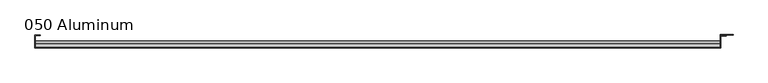
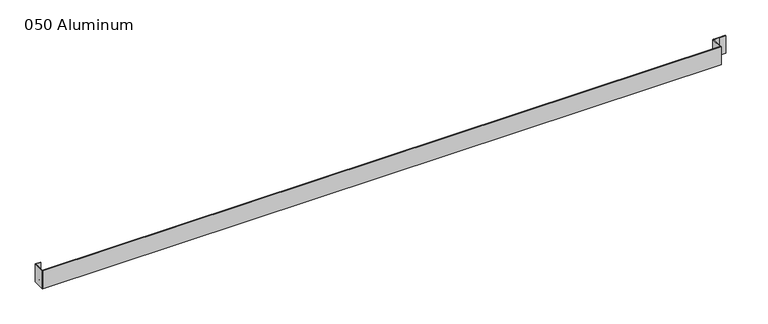
"""IFC4 building model written with IfcOpenShell, lengths in millimetres: plate geometry, 050 Aluminum."""

from ifc_helpers import new_model, si_unit, point, frame, frame_2d, origin, origin_with_axes, place, context, project, spatial, polyline, circle_curve, trimmed, segment, composite_curve, outline, extrude, source, transform, mapped, element, save


def plate_050_aluminum_874545a6(model_context):
    return source(origin(), model_context, "Body", "SweptSolid", [
        extrude(outline(polyline([(-919.4799998, -2.5660257), (-919.4799998, -34.7980001), (-920.7499998, -34.7980001), (-920.7499998, -1.2699999), (-906.5894993, -1.2699999), (-906.5894993, -2.5660257), (-919.4799998, -2.5660257)])), origin_with_axes(), (0.0, 0.0, 1.0), 50.5590518),
        extrude(outline(composite_curve([segment(polyline([(-16.6765477, 13.1458337), (-16.6765477, 2.786437), (-17.9464915, 2.786437), (-17.9464915, 13.1323356)]), True, "CONTINUOUS"), segment(trimmed(circle_curve(frame_2d((-19.8514743, 13.124237)), 1.905), [point((-17.9464915, 13.1323356))], [point((-21.7564743, 13.124237))], True, "CARTESIAN"), True, "CONTINUOUS"), segment(polyline([(-21.7564743, 13.124237), (-21.7564743, 0.0), (-34.7980002, 0.0), (-34.7980002, 1.2693678), (-23.0264743, 1.2693678), (-23.0264743, 13.124237)]), True, "CONTINUOUS"), segment(trimmed(circle_curve(frame_2d((-19.8514743, 13.124237)), 3.175), [point((-23.0264743, 13.124237))], [point((-16.6765477, 13.1458337))], False, "CARTESIAN"), True, "CONTINUOUS")], self_intersect=False)), frame((-919.4799998, 0.0, 0.0), z_axis=(1.0, 0.0, 0.0), x_axis=(0.0, 1.0, 0.0)), (0.0, 0.0, 1.0), 1826.2599997),
        extrude(outline(polyline([(-920.7499998, -36.068), (-920.7499998, -34.7980001), (908.0499998, -34.7980001), (908.0499998, -36.068), (-920.7499998, -36.068)])), origin_with_axes(), (0.0, 0.0, 1.0), 51.8290518),
        extrude(outline(polyline([(908.0499998, -1.2699999), (908.0499998, -34.7980002), (906.7799999, -34.7980002), (906.7799999, 0.0), (940.5620855, 0.0), (940.5620855, -1.2699999), (908.0499998, -1.2699999)])), origin_with_axes(), (0.0, 0.0, 1.0), 50.5590518),
        extrude(outline(polyline([(906.7799998, -3.3274743), (906.7799998, -2.0574743), (922.5279998, -2.0574743), (922.5279998, -3.3274743), (906.7799998, -3.3274743)])), origin_with_axes(), (0.0, 0.0, 1.0), 51.8290518),
    ])


if __name__ == "__main__":
    model = new_model("IFC4")
    model_context = context("Model", 3, world=origin())
    ifc_project = project(units=[si_unit("LENGTHUNIT", "METRE", prefix="MILLI")], contexts=[model_context])
    site = spatial("IfcSite", under=ifc_project)
    building = spatial("IfcBuilding", under=site)
    placement = place(None, origin())
    plate_050_aluminum_shape = plate_050_aluminum_874545a6(model_context)
    element("IfcPlate", 1, ObjectType="050 Aluminum", at=placement, inside=building, context=model_context, shape_type="MappedRepresentation", body=[
        mapped(plate_050_aluminum_shape, transform((0.0, 0.0, 0.0), x_axis=(1.0, 0.0, 0.0), y_axis=(0.0, 1.0, 0.0), z_axis=(0.0, 0.0, 1.0))),
    ])
    save(model, "model.ifc")
